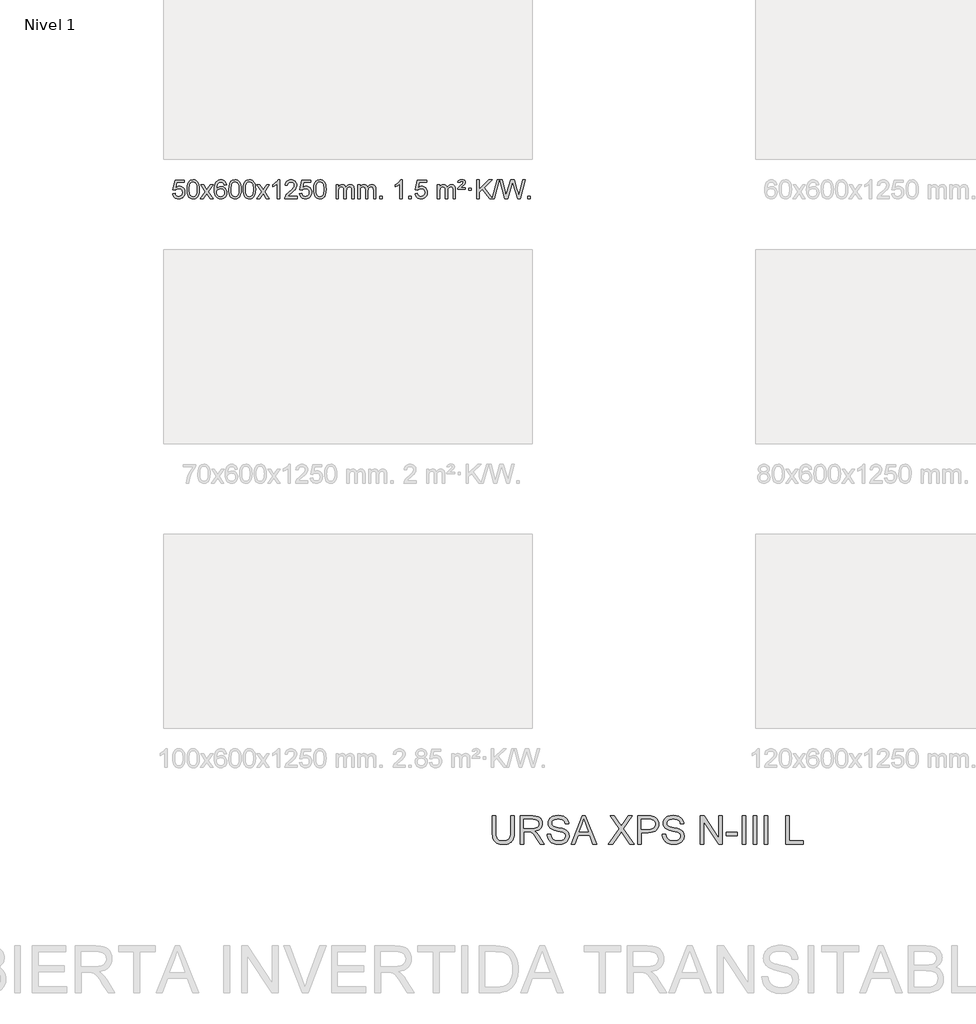
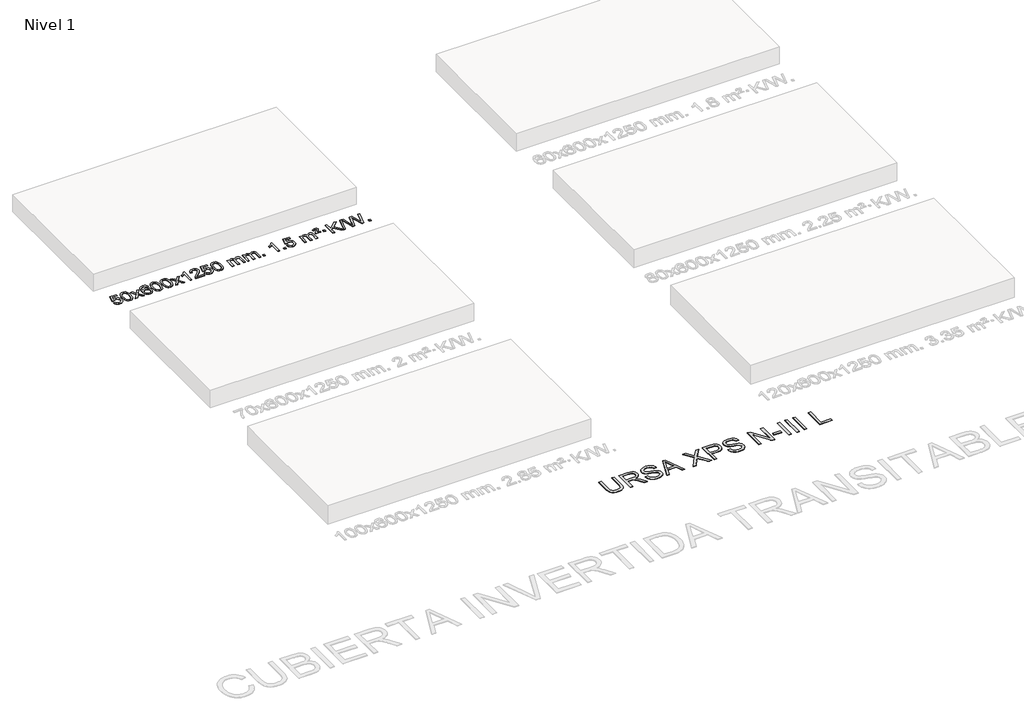
# One storey, part 4 of 7: 2 proxies.
"""IFC4 building model written with IfcOpenShell, lengths in millimetres."""

from ifc_helpers import new_model, si_unit, origin, origin_with_axes, place, context, project, spatial, polyline, outline, extrude, element, save

model = new_model("IFC4")

# Units and contexts
model_context = context("Model", 3, world=origin())
ifc_project = project(units=[si_unit("LENGTHUNIT", "METRE", prefix="MILLI")], contexts=[model_context])

# Site, building, storey
site = spatial("IfcSite", under=ifc_project)
building = spatial("IfcBuilding", under=site)
storey = spatial("IfcBuildingStorey", under=building, Name="Nivel 1", Elevation=0.0)

# Proxies
placement = place(None, origin())
element("IfcBuildingElementProxy", 1, Name="Texto de modelo 1", ObjectType="Texto de modelo 1", at=placement, inside=storey, context=model_context, shape_type="SweptSolid", body=[
    extrude(outline(polyline([(-25826.1503809, -477.8820273), (-25775.9222259, -471.603508), (-25766.7006505, -501.7575688), (-25750.6119446, -523.3522419), (-25727.7296845, -536.3384764), (-25698.1274466, -540.6672212), (-25678.9975829, -539.1619707), (-25662.124062, -534.6462192), (-25647.5068841, -527.1199667), (-25635.146049, -516.5832132), (-25625.3174684, -503.5571249), (-25618.2970537, -488.5628679), (-25612.6807219, -452.6698479), (-25617.9414344, -418.8737553), (-25624.5173251, -404.9555532), (-25633.723572, -393.0239138), (-25645.590832, -383.4528505), (-25660.149762, -376.6163768), (-25697.3426317, -371.1471978), (-25721.7086825, -373.3299643), (-25741.4394202, -379.8782638), (-25757.1970323, -389.9091796), (-25769.6437065, -402.5397947), (-25819.8718615, -396.2612753), (-25775.9222259, -189.0701357), (-25581.2881249, -189.0701357), (-25581.2881249, -239.2982907), (-25735.3080536, -239.2982907), (-25756.7923621, -349.9571949), (-25739.0665813, -337.2530033), (-25720.9116048, -328.1785808), (-25702.3274327, -322.7339272), (-25683.3140649, -320.9190427), (-25658.8529779, -323.1692543), (-25636.3845851, -329.9198889), (-25615.9088864, -341.1709466), (-25597.4258818, -356.9224273), (-25582.1250565, -376.2117066), (-25571.1958955, -398.0761598), (-25564.638399, -422.5157871), (-25562.4525668, -449.5305882), (-25564.4207355, -475.552108), (-25570.3252415, -499.7587433), (-25580.1660849, -522.1504941), (-25593.9432656, -542.7273604), (-25614.8144374, -563.8008673), (-25639.1682255, -578.8533723), (-25667.0046298, -587.8848753), (-25698.3236503, -590.8953763), (-25724.2440026, -588.9609301), (-25747.6566259, -583.1575916), (-25768.5615203, -573.4853608), (-25786.9586857, -559.9442377), (-25802.2656424, -543.2086726), (-25813.8999105, -523.9531159), (-25821.86149, -502.1775674), (-25826.1503809, -477.8820273)])), origin_with_axes(), (0.0, 0.0, 1.0), 10.0),
    extrude(outline(polyline([(-25518.5029311, -386.9415981), (-25514.8118484, -322.6235626), (-25503.7386004, -271.3285498), (-25485.3935515, -232.2717446), (-25473.5354886, -217.0383643), (-25459.8870665, -204.6683323), (-25444.4023002, -195.097269), (-25427.0352044, -188.2607953), (-25386.654024, -182.7916163), (-25355.7028855, -186.0289778), (-25327.9891085, -195.7410625), (-25304.8125428, -211.5477256), (-25287.4730381, -233.0688223), (-25274.3764391, -260.1204117), (-25263.9285904, -292.5185527), (-25257.0859853, -333.6600225), (-25254.805117, -386.9415981), (-25258.4594114, -450.8917516), (-25269.4222949, -502.0641372), (-25287.6569791, -541.1577305), (-25299.487451, -556.437096), (-25313.1266759, -568.8715075), (-25328.6298363, -578.5069501), (-25346.0521145, -585.3894091), (-25386.654024, -590.8953763), (-25414.3187501, -588.5041433), (-25438.8442164, -581.3304444), (-25460.2304231, -569.3742795), (-25478.47737, -552.6356488), (-25495.988553, -522.3773547), (-25508.4965408, -484.6755815), (-25516.0013335, -439.5303293), (-25518.5029311, -386.9415981)]), holes=[polyline([(-25468.274776, -386.8434963), (-25466.803248, -430.5080234), (-25462.3886641, -465.8522861), (-25455.0310242, -492.8762843), (-25444.7303283, -511.5800181), (-25432.2713914, -524.3056694), (-25418.4390284, -533.3954204), (-25403.2332393, -538.849271), (-25386.654024, -540.6672212), (-25370.0748088, -538.8431396), (-25354.8690196, -533.3708949), (-25341.0366566, -524.2504871), (-25328.5777197, -511.4819162), (-25318.2770239, -492.7475256), (-25310.919384, -465.7296588), (-25306.5048, -430.4283156), (-25305.033272, -386.8434963), (-25306.4557491, -344.3347317), (-25310.7231802, -309.6128027), (-25317.8355655, -282.6777093), (-25327.7929048, -263.5294515), (-25340.0433752, -250.1814664), (-25354.0351538, -240.6471914), (-25369.7682404, -234.9266264), (-25387.2426352, -233.0197713), (-25403.7360113, -234.6997658), (-25418.6842831, -239.7397491), (-25432.0874504, -248.1397213), (-25443.9455134, -259.8996825), (-25454.5895658, -280.7463289), (-25462.1924604, -308.8525133), (-25466.7541971, -344.2182358), (-25468.274776, -386.8434963)])]), origin_with_axes(), (0.0, 0.0, 1.0), 10.0),
    extrude(outline(polyline([(-25229.6910394, -584.6168569), (-25122.3675987, -436.2868364), (-25223.41252, -289.5264458), (-25162.981771, -289.5264458), (-25114.2251439, -360.1597889), (-25091.4655111, -393.5144231), (-25071.7470362, -366.2421045), (-25016.2213804, -289.5264458), (-24955.7906313, -289.5264458), (-25061.9368496, -436.2868364), (-24959.7147059, -584.6168569), (-25020.145455, -584.6168569), (-25081.6553246, -495.4422612), (-25092.9370391, -479.1573516), (-25169.2602903, -584.6168569), (-25229.6910394, -584.6168569)])), origin_with_axes(), (0.0, 0.0, 1.0), 10.0),
    extrude(outline(polyline([(-24670.9028142, -289.5264458), (-24721.1309693, -295.8049652), (-24729.2243732, -270.9116168), (-24740.1627312, -253.9154687), (-24762.9468894, -238.2436957), (-24790.4889881, -233.0197713), (-24813.8372321, -236.0609292), (-24835.8120499, -245.1844027), (-24854.6843963, -264.4001055), (-24870.0986519, -290.850821), (-24880.5097123, -328.2644199), (-24884.3724733, -380.3687731), (-24864.2248027, -356.8611137), (-24840.0794811, -340.2941611), (-24813.2854091, -330.4717119), (-24785.1914874, -327.1975621), (-24761.0584285, -329.4355109), (-24738.7893051, -336.1493573), (-24718.3841171, -347.3391013), (-24699.8428645, -363.004743), (-24684.4347403, -382.2143145), (-24673.4289372, -404.0358482), (-24666.8254554, -428.469344), (-24664.6242948, -455.514802), (-24668.7690986, -491.4813984), (-24681.2035101, -524.8237699), (-24700.8974596, -553.1016326), (-24726.8208775, -573.8747026), (-24757.7965415, -586.6402078), (-24792.6472291, -590.8953763), (-24822.5897579, -588.0749476), (-24849.6321502, -579.6136617), (-24873.7744061, -565.5115186), (-24895.0165257, -545.7685182), (-24912.3345706, -519.5507947), (-24924.7046027, -486.0244822), (-24932.1266219, -445.1895807), (-24934.6006284, -397.0460903), (-24931.8537761, -343.0716702), (-24923.6132194, -297.006713), (-24909.8789583, -258.8512188), (-24890.6509927, -228.6051874), (-24869.8104776, -208.56175), (-24845.6467619, -194.2450091), (-24818.1598455, -185.6549645), (-24787.3497284, -182.7916163), (-24764.2160823, -184.5635812), (-24743.2774654, -189.879476), (-24724.5338777, -198.7393008), (-24707.9853193, -211.1430554), (-24694.0793799, -226.6738069), (-24683.2636492, -244.9146225), (-24675.5381274, -265.8655021), (-24670.9028142, -289.5264458)]), holes=[polyline([(-24884.3724733, -454.7299871), (-24881.4662055, -476.9868478), (-24872.7474022, -498.2381644), (-24859.2093448, -516.5096368), (-24841.8453146, -529.8269651), (-24820.8883036, -537.9571571), (-24796.5713038, -540.6672212), (-24763.425136, -535.0508894), (-24749.5099995, -528.0304746), (-24737.366828, -518.201894), (-24727.5167876, -505.9636863), (-24720.4810444, -491.7143904), (-24714.8524499, -457.1825337), (-24720.407468, -424.036366), (-24727.3512407, -410.4155351), (-24737.0725224, -398.7628729), (-24749.2524821, -389.4278673), (-24763.5722888, -382.7600061), (-24798.6314429, -377.4257172), (-24831.7285598, -382.7600061), (-24859.4055485, -398.7628729), (-24870.3285781, -410.2622509), (-24878.1307421, -423.4232293), (-24882.8120405, -438.245808), (-24884.3724733, -454.7299871)])]), origin_with_axes(), (0.0, 0.0, 1.0), 10.0),
    extrude(outline(polyline([(-24620.6746591, -386.9415981), (-24616.9835765, -322.6235626), (-24605.9103284, -271.3285498), (-24587.5652796, -232.2717446), (-24575.7072166, -217.0383643), (-24562.0587946, -204.6683323), (-24546.5740283, -195.097269), (-24529.2069324, -188.2607953), (-24488.8257521, -182.7916163), (-24457.8746135, -186.0289778), (-24430.1608366, -195.7410625), (-24406.9842709, -211.5477256), (-24389.6447662, -233.0688223), (-24376.5481671, -260.1204117), (-24366.1003185, -292.5185527), (-24359.2577134, -333.6600225), (-24356.976845, -386.9415981), (-24360.6311395, -450.8917516), (-24371.5940229, -502.0641372), (-24389.8287072, -541.1577305), (-24401.659179, -556.437096), (-24415.298404, -568.8715075), (-24430.8015644, -578.5069501), (-24448.2238425, -585.3894091), (-24488.8257521, -590.8953763), (-24516.4904781, -588.5041433), (-24541.0159444, -581.3304444), (-24562.4021511, -569.3742795), (-24580.6490981, -552.6356488), (-24598.160281, -522.3773547), (-24610.6682689, -484.6755815), (-24618.1730616, -439.5303293), (-24620.6746591, -386.9415981)]), holes=[polyline([(-24570.4465041, -386.8434963), (-24568.9749761, -430.5080234), (-24564.5603921, -465.8522861), (-24557.2027522, -492.8762843), (-24546.9020564, -511.5800181), (-24534.4431195, -524.3056694), (-24520.6107564, -533.3954204), (-24505.4049673, -538.849271), (-24488.8257521, -540.6672212), (-24472.2465368, -538.8431396), (-24457.0407477, -533.3708949), (-24443.2083847, -524.2504871), (-24430.7494478, -511.4819162), (-24420.4487519, -492.7475256), (-24413.091112, -465.7296588), (-24408.676528, -430.4283156), (-24407.2050001, -386.8434963), (-24408.6274771, -344.3347317), (-24412.8949083, -309.6128027), (-24420.0072935, -282.6777093), (-24429.9646328, -263.5294515), (-24442.2151033, -250.1814664), (-24456.2068818, -240.6471914), (-24471.9399685, -234.9266264), (-24489.4143633, -233.0197713), (-24505.9077394, -234.6997658), (-24520.8560111, -239.7397491), (-24534.2591785, -248.1397213), (-24546.1172414, -259.8996825), (-24556.7612938, -280.7463289), (-24564.3641884, -308.8525133), (-24568.9259251, -344.2182358), (-24570.4465041, -386.8434963)])]), origin_with_axes(), (0.0, 0.0, 1.0), 10.0),
    extrude(outline(polyline([(-24313.0272093, -386.9415981), (-24309.3361266, -322.6235626), (-24298.2628786, -271.3285498), (-24279.9178297, -232.2717446), (-24268.0597668, -217.0383643), (-24254.4113447, -204.6683323), (-24238.9265784, -195.097269), (-24221.5594826, -188.2607953), (-24181.1783022, -182.7916163), (-24150.2271637, -186.0289778), (-24122.5133867, -195.7410625), (-24099.336821, -211.5477256), (-24081.9973163, -233.0688223), (-24068.9007173, -260.1204117), (-24058.4528686, -292.5185527), (-24051.6102635, -333.6600225), (-24049.3293952, -386.9415981), (-24052.9836896, -450.8917516), (-24063.9465731, -502.0641372), (-24082.1812573, -541.1577305), (-24094.0117292, -556.437096), (-24107.6509541, -568.8715075), (-24123.1541145, -578.5069501), (-24140.5763927, -585.3894091), (-24181.1783022, -590.8953763), (-24208.8430283, -588.5041433), (-24233.3684946, -581.3304444), (-24254.7547013, -569.3742795), (-24273.0016482, -552.6356488), (-24290.5128312, -522.3773547), (-24303.020819, -484.6755815), (-24310.5256117, -439.5303293), (-24313.0272093, -386.9415981)]), holes=[polyline([(-24262.7990542, -386.8434963), (-24261.3275262, -430.5080234), (-24256.9129423, -465.8522861), (-24249.5553024, -492.8762843), (-24239.2546065, -511.5800181), (-24226.7956696, -524.3056694), (-24212.9633066, -533.3954204), (-24197.7575175, -538.849271), (-24181.1783022, -540.6672212), (-24164.599087, -538.8431396), (-24149.3932978, -533.3708949), (-24135.5609348, -524.2504871), (-24123.1019979, -511.4819162), (-24112.8013021, -492.7475256), (-24105.4436622, -465.7296588), (-24101.0290782, -430.4283156), (-24099.5575502, -386.8434963), (-24100.9800273, -344.3347317), (-24105.2474584, -309.6128027), (-24112.3598437, -282.6777093), (-24122.317183, -263.5294515), (-24134.5676534, -250.1814664), (-24148.559432, -240.6471914), (-24164.2925187, -234.9266264), (-24181.7669134, -233.0197713), (-24198.2602895, -234.6997658), (-24213.2085613, -239.7397491), (-24226.6117286, -248.1397213), (-24238.4697916, -259.8996825), (-24249.113844, -280.7463289), (-24256.7167386, -308.8525133), (-24261.2784753, -344.2182358), (-24262.7990542, -386.8434963)])]), origin_with_axes(), (0.0, 0.0, 1.0), 10.0),
    extrude(outline(polyline([(-24024.2153176, -584.6168569), (-23916.8918769, -436.2868364), (-24017.9367982, -289.5264458), (-23957.5060492, -289.5264458), (-23908.7494221, -360.1597889), (-23885.9897893, -393.5144231), (-23866.2713144, -366.2421045), (-23810.7456586, -289.5264458), (-23750.3149095, -289.5264458), (-23856.4611278, -436.2868364), (-23754.2389841, -584.6168569), (-23814.6697332, -584.6168569), (-23876.1796028, -495.4422612), (-23887.4613173, -479.1573516), (-23963.7845685, -584.6168569), (-24024.2153176, -584.6168569)])), origin_with_axes(), (0.0, 0.0, 1.0), 10.0),
    extrude(outline(polyline([(-23534.4908056, -584.6168569), (-23584.7189607, -584.6168569), (-23584.7189607, -271.4757026), (-23605.6882344, -288.4350626), (-23632.2983654, -305.3698971), (-23685.1752709, -330.7292293), (-23685.1752709, -283.2479264), (-23645.7260583, -261.7881434), (-23611.5498209, -236.2571329), (-23584.6085961, -209.1074417), (-23566.8644212, -182.7916163), (-23534.4908056, -182.7916163), (-23534.4908056, -584.6168569)])), origin_with_axes(), (0.0, 0.0, 1.0), 10.0),
    extrude(outline(polyline([(-23157.7796426, -534.3887018), (-23157.7796426, -584.6168569), (-23421.4774567, -584.6168569), (-23420.3738107, -566.9339956), (-23416.0818541, -549.9868984), (-23403.6964936, -522.9230463), (-23385.572174, -496.6685346), (-23359.3544505, -469.1877495), (-23322.6888783, -438.4450775), (-23268.4875977, -390.301587), (-23235.9668293, -354.7641863), (-23219.7064451, -325.9222379), (-23214.286317, -297.8651044), (-23219.3998768, -272.7142386), (-23234.740556, -251.8062786), (-23258.3217919, -237.7163982), (-23288.1570217, -233.0197713), (-23319.4883049, -237.6060336), (-23343.8298303, -251.3648202), (-23359.5383915, -273.2170107), (-23364.9707823, -302.0834846), (-23415.1989373, -295.8049652), (-23410.8793896, -269.8754159), (-23403.0220433, -247.2200164), (-23391.6268985, -227.8387666), (-23376.6939552, -211.7316666), (-23358.5665699, -199.0703946), (-23337.5880991, -190.0266288), (-23313.7585429, -184.6003694), (-23287.0779012, -182.7916163), (-23260.1581362, -184.8027045), (-23236.1998212, -190.8359692), (-23215.2029563, -200.8914104), (-23197.1675415, -214.9690281), (-23182.682188, -232.02649), (-23172.3355069, -251.0214636), (-23166.1274982, -271.9539492), (-23164.058162, -294.8239465), (-23166.2899794, -318.8466408), (-23172.9854317, -342.4524022), (-23184.8680202, -366.4628337), (-23202.661246, -391.6995386), (-23231.0249478, -421.829074), (-23274.6189643, -460.5179972), (-23332.400963, -508.8331659), (-23355.0624939, -534.3887018), (-23157.7796426, -534.3887018)])), origin_with_axes(), (0.0, 0.0, 1.0), 10.0),
    extrude(outline(polyline([(-23107.5514875, -477.8820273), (-23057.3233324, -471.603508), (-23048.1017571, -501.7575688), (-23032.0130512, -523.3522419), (-23009.1307911, -536.3384764), (-22979.5285532, -540.6672212), (-22960.3986894, -539.1619707), (-22943.5251686, -534.6462192), (-22928.9079907, -527.1199667), (-22916.5471556, -516.5832132), (-22906.718575, -503.5571249), (-22899.6981602, -488.5628679), (-22894.0818284, -452.6698479), (-22899.342541, -418.8737553), (-22905.9184316, -404.9555532), (-22915.1246786, -393.0239138), (-22926.9919386, -383.4528505), (-22941.5508686, -376.6163768), (-22978.7437383, -371.1471978), (-23003.1097891, -373.3299643), (-23022.8405268, -379.8782638), (-23038.5981389, -389.9091796), (-23051.044813, -402.5397947), (-23101.2729681, -396.2612753), (-23057.3233324, -189.0701357), (-22862.6892315, -189.0701357), (-22862.6892315, -239.2982907), (-23016.7091602, -239.2982907), (-23038.1934687, -349.9571949), (-23020.4676879, -337.2530033), (-23002.3127114, -328.1785808), (-22983.7285393, -322.7339272), (-22964.7151715, -320.9190427), (-22940.2540845, -323.1692543), (-22917.7856917, -329.9198889), (-22897.3099929, -341.1709466), (-22878.8269884, -356.9224273), (-22863.5261631, -376.2117066), (-22852.5970021, -398.0761598), (-22846.0395056, -422.5157871), (-22843.8536734, -449.5305882), (-22845.821842, -475.552108), (-22851.7263481, -499.7587433), (-22861.5671914, -522.1504941), (-22875.3443722, -542.7273604), (-22896.215544, -563.8008673), (-22920.5693321, -578.8533723), (-22948.4057364, -587.8848753), (-22979.7247569, -590.8953763), (-23005.6451092, -588.9609301), (-23029.0577325, -583.1575916), (-23049.9626268, -573.4853608), (-23068.3597923, -559.9442377), (-23083.666749, -543.2086726), (-23095.3010171, -523.9531159), (-23103.2625966, -502.1775674), (-23107.5514875, -477.8820273)])), origin_with_axes(), (0.0, 0.0, 1.0), 10.0),
    extrude(outline(polyline([(-22799.9040377, -386.9415981), (-22796.212955, -322.6235626), (-22785.1397069, -271.3285498), (-22766.7946581, -232.2717446), (-22754.9365951, -217.0383643), (-22741.2881731, -204.6683323), (-22725.8034068, -195.097269), (-22708.4363109, -188.2607953), (-22668.0551306, -182.7916163), (-22637.1039921, -186.0289778), (-22609.3902151, -195.7410625), (-22586.2136494, -211.5477256), (-22568.8741447, -233.0688223), (-22555.7775457, -260.1204117), (-22545.329697, -292.5185527), (-22538.4870919, -333.6600225), (-22536.2062235, -386.9415981), (-22539.860518, -450.8917516), (-22550.8234015, -502.0641372), (-22569.0580857, -541.1577305), (-22580.8885575, -556.437096), (-22594.5277825, -568.8715075), (-22610.0309429, -578.5069501), (-22627.4532211, -585.3894091), (-22668.0551306, -590.8953763), (-22695.7198566, -588.5041433), (-22720.245323, -581.3304444), (-22741.6315296, -569.3742795), (-22759.8784766, -552.6356488), (-22777.3896596, -522.3773547), (-22789.8976474, -484.6755815), (-22797.4024401, -439.5303293), (-22799.9040377, -386.9415981)]), holes=[polyline([(-22749.6758826, -386.8434963), (-22748.2043546, -430.5080234), (-22743.7897707, -465.8522861), (-22736.4321308, -492.8762843), (-22726.1314349, -511.5800181), (-22713.672498, -524.3056694), (-22699.840135, -533.3954204), (-22684.6343459, -538.849271), (-22668.0551306, -540.6672212), (-22651.4759154, -538.8431396), (-22636.2701262, -533.3708949), (-22622.4377632, -524.2504871), (-22609.9788263, -511.4819162), (-22599.6781304, -492.7475256), (-22592.3204905, -465.7296588), (-22587.9059066, -430.4283156), (-22586.4343786, -386.8434963), (-22587.8568557, -344.3347317), (-22592.1242868, -309.6128027), (-22599.236672, -282.6777093), (-22609.1940114, -263.5294515), (-22621.4444818, -250.1814664), (-22635.4362604, -240.6471914), (-22651.169347, -234.9266264), (-22668.6437418, -233.0197713), (-22685.1371179, -234.6997658), (-22700.0853897, -239.7397491), (-22713.488557, -248.1397213), (-22725.34662, -259.8996825), (-22735.9906724, -280.7463289), (-22743.5935669, -308.8525133), (-22748.1553037, -344.2182358), (-22749.6758826, -386.8434963)])]), origin_with_axes(), (0.0, 0.0, 1.0), 10.0),
    extrude(outline(polyline([(-22322.7365645, -584.6168569), (-22322.7365645, -289.5264458), (-22272.5084094, -289.5264458), (-22272.5084094, -338.0868692), (-22257.4007221, -315.7809575), (-22237.9765528, -298.3065628), (-22214.8980889, -287.0125855), (-22188.8275182, -283.2479264), (-22160.8930121, -287.0861619), (-22138.5012613, -298.6008684), (-22121.7748932, -317.0317563), (-22110.8365352, -341.6185363), (-22092.5282746, -316.0813945), (-22071.64484, -297.8405789), (-22048.1862315, -286.8960895), (-22022.1524489, -283.2479264), (-22002.0446322, -284.7654397), (-21984.3954935, -289.3179793), (-21969.2050328, -296.9055455), (-21956.4732501, -307.5281381), (-21946.4086118, -321.3083845), (-21939.2195845, -338.368912), (-21934.9061681, -358.7097207), (-21933.4683626, -382.3308105), (-21933.4683626, -584.6168569), (-21983.6965177, -584.6168569), (-21983.6965177, -403.9132208), (-21984.8614774, -378.860457), (-21988.3563563, -361.9746734), (-21994.9046558, -350.410916), (-22005.2298772, -341.3242307), (-22018.5104172, -335.4381188), (-22033.9246728, -333.4760815), (-22061.1356777, -338.5038021), (-22083.318962, -353.5869639), (-22091.924335, -365.1568526), (-22098.07103, -379.7556365), (-22102.988386, -418.0398895), (-22102.988386, -584.6168569), (-22153.2165411, -584.6168569), (-22153.2165411, -398.3214145), (-22156.1228088, -369.9209245), (-22164.8416121, -349.6628893), (-22180.1822913, -337.5227834), (-22202.9541868, -333.4760815), (-22222.3047798, -336.1738828), (-22240.1347938, -344.2672867), (-22254.8500736, -357.5600894), (-22264.8564639, -375.8560873), (-22270.595423, -401.239945), (-22272.5084094, -435.7963271), (-22272.5084094, -584.6168569), (-22322.7365645, -584.6168569)])), origin_with_axes(), (0.0, 0.0, 1.0), 10.0),
    extrude(outline(polyline([(-21858.12613, -584.6168569), (-21858.12613, -289.5264458), (-21807.8979749, -289.5264458), (-21807.8979749, -338.0868692), (-21792.7902877, -315.7809575), (-21773.3661183, -298.3065628), (-21750.2876545, -287.0125855), (-21724.2170838, -283.2479264), (-21696.2825776, -287.0861619), (-21673.8908268, -298.6008684), (-21657.1644588, -317.0317563), (-21646.2261008, -341.6185363), (-21627.9178402, -316.0813945), (-21607.0344056, -297.8405789), (-21583.575797, -286.8960895), (-21557.5420145, -283.2479264), (-21537.4341978, -284.7654397), (-21519.7850591, -289.3179793), (-21504.5945983, -296.9055455), (-21491.8628156, -307.5281381), (-21481.7981774, -321.3083845), (-21474.6091501, -338.368912), (-21470.2957337, -358.7097207), (-21468.8579282, -382.3308105), (-21468.8579282, -584.6168569), (-21519.0860833, -584.6168569), (-21519.0860833, -403.9132208), (-21520.2510429, -378.860457), (-21523.7459219, -361.9746734), (-21530.2942214, -350.410916), (-21540.6194427, -341.3242307), (-21553.8999827, -335.4381188), (-21569.3142383, -333.4760815), (-21596.5252433, -338.5038021), (-21618.7085276, -353.5869639), (-21627.3139006, -365.1568526), (-21633.4605956, -379.7556365), (-21638.3779516, -418.0398895), (-21638.3779516, -584.6168569), (-21688.6061066, -584.6168569), (-21688.6061066, -398.3214145), (-21691.5123744, -369.9209245), (-21700.2311777, -349.6628893), (-21715.5718569, -337.5227834), (-21738.3437524, -333.4760815), (-21757.6943453, -336.1738828), (-21775.5243594, -344.2672867), (-21790.2396392, -357.5600894), (-21800.2460294, -375.8560873), (-21805.9849886, -401.239945), (-21807.8979749, -435.7963271), (-21807.8979749, -584.6168569), (-21858.12613, -584.6168569)])), origin_with_axes(), (0.0, 0.0, 1.0), 10.0),
    extrude(outline(polyline([(-21380.9586568, -584.6168569), (-21380.9586568, -534.3887018), (-21330.7305017, -534.3887018), (-21330.7305017, -584.6168569), (-21380.9586568, -584.6168569)])), origin_with_axes(), (0.0, 0.0, 1.0), 10.0),
    extrude(outline(polyline([(-20903.7911836, -584.6168569), (-20954.0193387, -584.6168569), (-20954.0193387, -271.4757026), (-20974.9886124, -288.4350626), (-21001.5987434, -305.3698971), (-21054.4756488, -330.7292293), (-21054.4756488, -283.2479264), (-21015.0264362, -261.7881434), (-20980.8501989, -236.2571329), (-20953.9089741, -209.1074417), (-20936.1647992, -182.7916163), (-20903.7911836, -182.7916163), (-20903.7911836, -584.6168569)])), origin_with_axes(), (0.0, 0.0, 1.0), 10.0),
    extrude(outline(polyline([(-20759.3852378, -584.6168569), (-20759.3852378, -534.3887018), (-20709.1570827, -534.3887018), (-20709.1570827, -584.6168569), (-20759.3852378, -584.6168569)])), origin_with_axes(), (0.0, 0.0, 1.0), 10.0),
    extrude(outline(polyline([(-20627.5363307, -477.8820273), (-20577.3081756, -471.603508), (-20568.0866003, -501.7575688), (-20551.9978943, -523.3522419), (-20529.1156342, -536.3384764), (-20499.5133964, -540.6672212), (-20480.3835326, -539.1619707), (-20463.5100118, -534.6462192), (-20448.8928338, -527.1199667), (-20436.5319988, -516.5832132), (-20426.7034182, -503.5571249), (-20419.6830034, -488.5628679), (-20414.0666716, -452.6698479), (-20419.3273842, -418.8737553), (-20425.9032748, -404.9555532), (-20435.1095217, -393.0239138), (-20446.9767818, -383.4528505), (-20461.5357117, -376.6163768), (-20498.7285814, -371.1471978), (-20523.0946323, -373.3299643), (-20542.8253699, -379.8782638), (-20558.5829821, -389.9091796), (-20571.0296562, -402.5397947), (-20621.2578113, -396.2612753), (-20577.3081756, -189.0701357), (-20382.6740747, -189.0701357), (-20382.6740747, -239.2982907), (-20536.6940033, -239.2982907), (-20558.1783119, -349.9571949), (-20540.4525311, -337.2530033), (-20522.2975546, -328.1785808), (-20503.7133825, -322.7339272), (-20484.7000147, -320.9190427), (-20460.2389277, -323.1692543), (-20437.7705348, -329.9198889), (-20417.2948361, -341.1709466), (-20398.8118316, -356.9224273), (-20383.5110062, -376.2117066), (-20372.5818453, -398.0761598), (-20366.0243487, -422.5157871), (-20363.8385165, -449.5305882), (-20365.8066852, -475.552108), (-20371.7111912, -499.7587433), (-20381.5520346, -522.1504941), (-20395.3292153, -542.7273604), (-20416.2003872, -563.8008673), (-20440.5541753, -578.8533723), (-20468.3905796, -587.8848753), (-20499.7096001, -590.8953763), (-20525.6299523, -588.9609301), (-20549.0425757, -583.1575916), (-20569.94747, -573.4853608), (-20588.3446355, -559.9442377), (-20603.6515922, -543.2086726), (-20615.2858603, -523.9531159), (-20623.2474398, -502.1775674), (-20627.5363307, -477.8820273)])), origin_with_axes(), (0.0, 0.0, 1.0), 10.0),
    extrude(outline(polyline([(-20150.3688575, -584.6168569), (-20150.3688575, -289.5264458), (-20100.1407024, -289.5264458), (-20100.1407024, -338.0868692), (-20085.0330151, -315.7809575), (-20065.6088458, -298.3065628), (-20042.530382, -287.0125855), (-20016.4598112, -283.2479264), (-19988.5253051, -287.0861619), (-19966.1335543, -298.6008684), (-19949.4071862, -317.0317563), (-19938.4688283, -341.6185363), (-19920.1605676, -316.0813945), (-19899.277133, -297.8405789), (-19875.8185245, -286.8960895), (-19849.784742, -283.2479264), (-19829.6769252, -284.7654397), (-19812.0277865, -289.3179793), (-19796.8373258, -296.9055455), (-19784.1055431, -307.5281381), (-19774.0409048, -321.3083845), (-19766.8518775, -338.368912), (-19762.5384611, -358.7097207), (-19761.1006556, -382.3308105), (-19761.1006556, -584.6168569), (-19811.3288107, -584.6168569), (-19811.3288107, -403.9132208), (-19812.4937704, -378.860457), (-19815.9886493, -361.9746734), (-19822.5369488, -350.410916), (-19832.8621702, -341.3242307), (-19846.1427102, -335.4381188), (-19861.5569658, -333.4760815), (-19888.7679707, -338.5038021), (-19910.951255, -353.5869639), (-19919.556628, -365.1568526), (-19925.703323, -379.7556365), (-19930.620679, -418.0398895), (-19930.620679, -584.6168569), (-19980.8488341, -584.6168569), (-19980.8488341, -398.3214145), (-19983.7551019, -369.9209245), (-19992.4739051, -349.6628893), (-20007.8145843, -337.5227834), (-20030.5864798, -333.4760815), (-20049.9370728, -336.1738828), (-20067.7670868, -344.2672867), (-20082.4823666, -357.5600894), (-20092.4887569, -375.8560873), (-20098.227716, -401.239945), (-20100.1407024, -435.7963271), (-20100.1407024, -584.6168569), (-20150.3688575, -584.6168569)])), origin_with_axes(), (0.0, 0.0, 1.0), 10.0),
    extrude(outline(polyline([(-19717.15102, -383.7042366), (-19713.3250472, -367.8853108), (-19704.9863887, -352.0173341), (-19683.4775547, -326.878731), (-19651.520872, -299.1404286), (-19607.3750326, -261.7636179), (-19600.2381219, -250.2366487), (-19597.8591517, -238.4153739), (-19599.7476126, -226.324319), (-19605.4129953, -216.538658), (-19614.7817234, -210.0639348), (-19627.7802206, -207.9056938), (-19640.214632, -209.5243746), (-19649.0683254, -214.3804169), (-19655.4939976, -223.8472469), (-19660.6443455, -239.2982907), (-19710.8725006, -233.0197713), (-19700.0322444, -207.8075919), (-19683.4039783, -190.247358), (-19659.6388014, -179.9466622), (-19627.3878131, -176.5130969), (-19591.6051577, -180.645638), (-19566.8589622, -193.0432612), (-19552.437988, -211.3760473), (-19547.6309966, -233.3140769), (-19551.7267495, -256.2208625), (-19564.0140081, -277.8523238), (-19584.5418234, -297.6689006), (-19621.0111919, -325.7260341), (-19646.6157788, -352.3116396), (-19547.6309966, -352.3116396), (-19547.6309966, -383.7042366), (-19717.15102, -383.7042366)])), origin_with_axes(), (0.0, 0.0, 1.0), 10.0),
    extrude(outline(polyline([(-19472.288764, -408.8183141), (-19472.288764, -358.590159), (-19422.0606089, -358.590159), (-19422.0606089, -408.8183141), (-19472.288764, -408.8183141)])), origin_with_axes(), (0.0, 0.0, 1.0), 10.0),
    extrude(outline(polyline([(-19031.4189809, -584.6168569), (-19184.8502984, -381.938403), (-19252.5405855, -446.4894304), (-19252.5405855, -584.6168569), (-19302.7687406, -584.6168569), (-19302.7687406, -182.7916163), (-19252.5405855, -182.7916163), (-19252.5405855, -379.4858564), (-19046.5266682, -182.7916163), (-18976.2857326, -182.7916163), (-19149.2393213, -347.9951576), (-18974.5857114, -578.5723371), (-18863.2723837, -182.7916163), (-18817.9493219, -182.7916163), (-18930.9626708, -584.6168569), (-18970.0072132, -584.6168569), (-18976.2857326, -584.6168569), (-19031.4189809, -584.6168569)])), origin_with_axes(), (0.0, 0.0, 1.0), 10.0),
    extrude(outline(polyline([(-18703.464445, -584.6168569), (-18813.0442286, -182.7916163), (-18761.2464437, -182.7916163), (-18697.6764349, -446.8818379), (-18678.0560618, -528.404488), (-18657.0622627, -456.299617), (-18577.403548, -182.7916163), (-18502.7480284, -182.7916163), (-18444.8679278, -381.0554862), (-18420.0726814, -454.6318852), (-18401.8012089, -528.404488), (-18382.7694471, -449.2362826), (-18318.6108271, -182.7916163), (-18266.8130422, -182.7916163), (-18376.4909277, -584.6168569), (-18430.152648, -584.6168569), (-18526.4886798, -274.6149623), (-18539.9286354, -231.3520396), (-18555.0363227, -283.4441302), (-18642.8374922, -584.6168569), (-18703.464445, -584.6168569)])), origin_with_axes(), (0.0, 0.0, 1.0), 10.0),
    extrude(outline(polyline([(-18210.3063677, -584.6168569), (-18210.3063677, -534.3887018), (-18160.0782126, -534.3887018), (-18160.0782126, -584.6168569), (-18210.3063677, -584.6168569)])), origin_with_axes(), (0.0, 0.0, 1.0), 10.0),
])
element("IfcBuildingElementProxy", 2, Name="Texto de modelo 3", ObjectType="Texto de modelo 3", at=placement, inside=storey, context=model_context, shape_type="SweptSolid", body=[
    extrude(outline(polyline([(-18576.063677, -13823.3522814), (-18500.7214443, -13823.3522814), (-18500.7214443, -14171.0743432), (-18505.8350041, -14252.5050228), (-18512.2269537, -14286.1984151), (-18521.1756833, -14315.2105089), (-18533.4537449, -14340.6403518), (-18549.8336907, -14363.5869913), (-18570.3155208, -14384.0504273), (-18594.8992351, -14402.0306598), (-18623.6124248, -14416.6769617), (-18656.4826811, -14427.1386059), (-18693.5100039, -14433.4155925), (-18734.6943933, -14435.5079213), (-18774.8625086, -14433.6869055), (-18811.1954542, -14428.2238578), (-18843.6932299, -14419.1187784), (-18872.3558359, -14406.3716673), (-18897.1878705, -14390.1710639), (-18918.1939325, -14370.7055079), (-18935.3740216, -14347.9749991), (-18948.7281381, -14321.9795376), (-18958.7391269, -14291.8270096), (-18965.8898331, -14256.6253012), (-18970.1802569, -14216.3744124), (-18971.6103982, -14171.0743432), (-18971.6103982, -13823.3522814), (-18896.2681656, -13823.3522814), (-18896.2681656, -14168.4255928), (-18892.5525574, -14236.134274), (-18881.405733, -14283.2783517), (-18872.6409444, -14300.6561775), (-18861.2090114, -14315.9278788), (-18847.109934, -14329.0934557), (-18830.343712, -14340.1529082), (-18790.0974218, -14355.1624936), (-18741.7577276, -14360.1656887), (-18700.2330474, -14357.6916823), (-18665.127908, -14350.269663), (-18636.4423094, -14337.899631), (-18614.1762517, -14320.581586), (-18597.5020002, -14296.227798), (-18585.5918206, -14262.7505364), (-18578.4457129, -14220.1498014), (-18576.063677, -14168.4255928), (-18576.063677, -13823.3522814)])), origin_with_axes(), (0.0, 0.0, 1.0), 10.0),
    extrude(outline(polyline([(-18368.8725373, -14426.0901423), (-18368.8725373, -13823.3522814), (-18109.1478487, -13823.3522814), (-18039.3422401, -13827.4173774), (-17988.5561307, -13839.6126655), (-17968.9572174, -13849.3063561), (-17951.4368373, -13862.1270436), (-17935.9949906, -13878.0747281), (-17922.6316771, -13897.1494096), (-17911.8481361, -13918.3256169), (-17904.1456069, -13940.5778791), (-17899.5240893, -13963.9061961), (-17897.9835834, -13988.310568), (-17900.5357648, -14019.2678379), (-17908.1923088, -14047.686722), (-17920.9532155, -14073.5672204), (-17938.8184849, -14096.909333), (-17962.0180432, -14116.9680988), (-17990.7818167, -14132.9985567), (-18025.1098054, -14145.0007068), (-18065.0020093, -14152.974549), (-18040.1699746, -14169.198145), (-18022.180545, -14185.2010118), (-17991.3152456, -14221.8052703), (-17961.1121338, -14262.7505364), (-17860.6067727, -14426.0901423), (-17948.1626876, -14426.0901423), (-18026.595129, -14301.1574167), (-18083.2489562, -14218.4575442), (-18104.3102004, -14194.3428794), (-18123.0537881, -14179.3884763), (-18158.8854944, -14165.0410785), (-18202.5898755, -14162.3923281), (-18293.5303047, -14162.3923281), (-18293.5303047, -14426.0901423), (-18368.8725373, -14426.0901423)]), holes=[polyline([(-18293.5303047, -14087.0500955), (-18124.8931981, -14087.0500955), (-18076.4615334, -14084.382951), (-18038.8823876, -14076.3815176), (-18010.5922622, -14062.5123664), (-17990.0276586, -14042.2420685), (-17977.5012767, -14017.7227335), (-17973.3258161, -13991.1064712), (-17975.3169774, -13971.8386517), (-17981.2904613, -13954.3550598), (-17991.2462677, -13938.6556957), (-18005.1843968, -13924.7405592), (-18023.4267453, -13913.3454144), (-18046.2952098, -13905.2060253), (-18073.7897904, -13900.3223918), (-18105.9104871, -13898.694514), (-18293.5303047, -13898.694514), (-18293.5303047, -14087.0500955)])]), origin_with_axes(), (0.0, 0.0, 1.0), 10.0),
    extrude(outline(polyline([(-17794.3880136, -14218.8990026), (-17719.045781, -14218.8990026), (-17710.4005541, -14260.7087913), (-17694.7655693, -14294.3148116), (-17670.374993, -14320.9862562), (-17635.4629917, -14341.9923182), (-17592.7886802, -14355.6223461), (-17545.1111737, -14360.1656887), (-17503.135838, -14356.7259921), (-17466.3844267, -14346.4069021), (-17436.6043792, -14330.0729415), (-17415.543135, -14308.588633), (-17403.016753, -14283.9221452), (-17398.8412924, -14258.0416469), (-17401.9682894, -14232.8233361), (-17411.3492802, -14211.0263279), (-17430.4055676, -14192.429893), (-17462.558454, -14176.8133023), (-17572.2608649, -14148.0449303), (-17644.2737655, -14129.007037), (-17690.3509854, -14110.8888488), (-17727.8565548, -14085.5417793), (-17754.4360289, -14054.8236327), (-17770.2733488, -14019.3965966), (-17775.5524555, -13979.9228585), (-17773.9199791, -13957.4866553), (-17769.02255, -13935.7954132), (-17760.8601683, -13914.8491321), (-17749.4328338, -13894.647812), (-17734.8693053, -13876.014589), (-17717.2983415, -13859.7725989), (-17696.7199424, -13845.9218418), (-17673.134108, -13834.4623176), (-17620.1223125, -13819.0664561), (-17561.4451343, -13813.9345023), (-17497.8751255, -13819.3055794), (-17442.2513678, -13835.4188108), (-17417.9159738, -13847.4209609), (-17396.560424, -13861.9431027), (-17378.1847184, -13878.9852361), (-17362.7888569, -13898.5473612), (-17350.4924012, -13920.0592608), (-17341.4149129, -13942.950718), (-17335.5563922, -13967.2217326), (-17332.9168389, -13992.8723047), (-17408.2590715, -13992.8723047), (-17413.2990548, -13968.8312163), (-17422.0914345, -13947.9171249), (-17434.6362105, -13930.1300305), (-17450.9333829, -13915.4699329), (-17471.2864543, -13904.0104088), (-17495.9989273, -13895.8250344), (-17525.070802, -13890.9138098), (-17558.5020783, -13889.2767349), (-17593.0002124, -13890.8954157), (-17622.4767573, -13895.751458), (-17646.9317129, -13903.8448619), (-17666.3650793, -13915.1756274), (-17681.1723296, -13928.7964582), (-17691.748937, -13943.7600584), (-17698.0949014, -13960.0664278), (-17700.2102228, -13977.7155665), (-17698.7111037, -13992.8998959), (-17694.2137463, -14006.6678796), (-17686.7181507, -14019.0195175), (-17676.2243168, -14029.9548098), (-17659.7064152, -14040.310688), (-17633.6971581, -14050.7769308), (-17553.2045776, -14072.0405101), (-17470.1368231, -14092.2372316), (-17419.8841425, -14109.8587792), (-17376.9339196, -14137.1924114), (-17360.328646, -14153.2596576), (-17346.9699311, -14170.9271904), (-17336.7014249, -14190.1030394), (-17329.3667776, -14210.6952341), (-17323.4990598, -14256.1286605), (-17325.1867184, -14279.6961008), (-17330.2496944, -14302.5737624), (-17338.6879877, -14324.7616452), (-17350.5015982, -14346.2597493), (-17365.4835925, -14366.2357416), (-17383.4270368, -14383.8572892), (-17404.3319312, -14399.124392), (-17428.1982756, -14412.03705), (-17454.3316928, -14422.3055562), (-17482.0378056, -14429.6402035), (-17542.1681177, -14435.5079213), (-17580.7083552, -14433.9260288), (-17615.98364, -14429.180351), (-17647.9939722, -14421.2708881), (-17676.7393515, -14410.1976401), (-17702.3945222, -14395.9422127), (-17725.134228, -14378.4862121), (-17744.958469, -14357.829638), (-17761.8672452, -14333.9724907), (-17775.4880761, -14307.6873221), (-17785.4484811, -14279.7466846), (-17791.7484603, -14250.1505781), (-17794.3880136, -14218.8990026)])), origin_with_axes(), (0.0, 0.0, 1.0), 10.0),
    extrude(outline(polyline([(-17280.6775955, -14426.0901423), (-17040.0827707, -13823.3522814), (-16975.9241507, -13823.3522814), (-16735.3293259, -14426.0901423), (-16814.9389896, -14426.0901423), (-16883.9536519, -14237.7345607), (-17132.2004223, -14237.7345607), (-17201.0679318, -14426.0901423), (-17280.6775955, -14426.0901423)]), holes=[polyline([(-17104.5356963, -14162.3923281), (-16911.4712252, -14162.3923281), (-16965.7706077, -14014.2094605), (-17008.0034607, -13898.694514), (-17045.5274242, -14001.2600142), (-17104.5356963, -14162.3923281)])]), origin_with_axes(), (0.0, 0.0, 1.0), 10.0),
    extrude(outline(polyline([(-16485.316722, -14426.0901423), (-16252.9624538, -14097.645097), (-16447.6456057, -13823.3522814), (-16357.2937876, -13823.3522814), (-16247.6649531, -13977.7155665), (-16221.5085432, -14016.8214226), (-16210.7296008, -14037.9010609), (-16167.4666781, -13976.6854969), (-16059.015066, -13823.3522814), (-15967.3388728, -13823.3522814), (-16162.0220246, -14098.5280137), (-15929.6677565, -14426.0901423), (-16020.0195745, -14426.0901423), (-16174.824318, -14207.7153899), (-16207.0507808, -14162.3923281), (-16242.5146052, -14212.1299739), (-16393.6405288, -14426.0901423), (-16485.316722, -14426.0901423)])), origin_with_axes(), (0.0, 0.0, 1.0), 10.0),
    extrude(outline(polyline([(-15854.3255238, -14426.0901423), (-15854.3255238, -13823.3522814), (-15630.9475764, -13823.3522814), (-15578.9290623, -13824.7870211), (-15540.890064, -13829.0912405), (-15500.7357442, -13839.8150006), (-15467.6815469, -13857.2710013), (-15441.0652846, -13882.2501888), (-15420.2247695, -13915.5435093), (-15406.7602885, -13954.8149123), (-15402.2721282, -13997.7283471), (-15405.3025561, -14034.7280787), (-15414.3938399, -14068.7663603), (-15429.5459796, -14099.8431919), (-15450.7589751, -14127.9585734), (-15479.8814336, -14151.2638978), (-15518.7619619, -14167.910558), (-15567.4005602, -14177.8985542), (-15625.7972284, -14181.2278863), (-15778.9832912, -14181.2278863), (-15778.9832912, -14426.0901423), (-15854.3255238, -14426.0901423)]), holes=[polyline([(-15778.9832912, -14105.8856537), (-15621.3826445, -14105.8856537), (-15585.146268, -14104.1566083), (-15554.5752742, -14098.9694721), (-15529.6696631, -14090.3242453), (-15510.4294348, -14078.2209276), (-15496.0728399, -14062.981416), (-15485.8181293, -14044.9276071), (-15479.6653029, -14024.0595009), (-15477.6143608, -14000.3770974), (-15482.452009, -13966.5319539), (-15496.9649537, -13937.9843111), (-15519.3505731, -13916.5000025), (-15547.8062455, -13903.8448619), (-15576.8689231, -13899.982101), (-15623.1484781, -13898.694514), (-15778.9832912, -13898.694514), (-15778.9832912, -14105.8856537)])]), origin_with_axes(), (0.0, 0.0, 1.0), 10.0),
    extrude(outline(polyline([(-15326.9298956, -14218.8990026), (-15251.5876629, -14218.8990026), (-15242.9424361, -14260.7087913), (-15227.3074513, -14294.3148116), (-15202.916875, -14320.9862562), (-15168.0048736, -14341.9923182), (-15125.3305622, -14355.6223461), (-15077.6530556, -14360.1656887), (-15035.67772, -14356.7259921), (-14998.9263087, -14346.4069021), (-14969.1462611, -14330.0729415), (-14948.0850169, -14308.588633), (-14935.558635, -14283.9221452), (-14931.3831743, -14258.0416469), (-14934.5101713, -14232.8233361), (-14943.8911622, -14211.0263279), (-14962.9474495, -14192.429893), (-14995.1003359, -14176.8133023), (-15104.8027469, -14148.0449303), (-15176.8156474, -14129.007037), (-15222.8928673, -14110.8888488), (-15260.3984367, -14085.5417793), (-15286.9779109, -14054.8236327), (-15302.8152308, -14019.3965966), (-15308.0943374, -13979.9228585), (-15306.461861, -13957.4866553), (-15301.564432, -13935.7954132), (-15293.4020502, -13914.8491321), (-15281.9747157, -13894.647812), (-15267.4111873, -13876.014589), (-15249.8402235, -13859.7725989), (-15229.2618244, -13845.9218418), (-15205.6759899, -13834.4623176), (-15152.6641944, -13819.0664561), (-15093.9870162, -13813.9345023), (-15030.4170074, -13819.3055794), (-14974.7932498, -13835.4188108), (-14950.4578558, -13847.4209609), (-14929.102306, -13861.9431027), (-14910.7266003, -13878.9852361), (-14895.3307388, -13898.5473612), (-14883.0342831, -13920.0592608), (-14873.9567949, -13942.950718), (-14868.0982741, -13967.2217326), (-14865.4587208, -13992.8723047), (-14940.8009534, -13992.8723047), (-14945.8409368, -13968.8312163), (-14954.6333164, -13947.9171249), (-14967.1780925, -13930.1300305), (-14983.4752649, -13915.4699329), (-15003.8283362, -13904.0104088), (-15028.5408093, -13895.8250344), (-15057.6126839, -13890.9138098), (-15091.0439602, -13889.2767349), (-15125.5420943, -13890.8954157), (-15155.0186392, -13895.751458), (-15179.4735948, -13903.8448619), (-15198.9069612, -13915.1756274), (-15213.7142115, -13928.7964582), (-15224.2908189, -13943.7600584), (-15230.6367833, -13960.0664278), (-15232.7521048, -13977.7155665), (-15231.2529857, -13992.8998959), (-15226.7556283, -14006.6678796), (-15219.2600326, -14019.0195175), (-15208.7661987, -14029.9548098), (-15192.2482971, -14040.310688), (-15166.2390401, -14050.7769308), (-15085.7464595, -14072.0405101), (-15002.678705, -14092.2372316), (-14952.4260245, -14109.8587792), (-14909.4758015, -14137.1924114), (-14892.870528, -14153.2596576), (-14879.511813, -14170.9271904), (-14869.2433068, -14190.1030394), (-14861.9086596, -14210.6952341), (-14856.0409417, -14256.1286605), (-14857.7286004, -14279.6961008), (-14862.7915763, -14302.5737624), (-14871.2298696, -14324.7616452), (-14883.0434802, -14346.2597493), (-14898.0254744, -14366.2357416), (-14915.9689187, -14383.8572892), (-14936.8738131, -14399.124392), (-14960.7401576, -14412.03705), (-14986.8735748, -14422.3055562), (-15014.5796876, -14429.6402035), (-15074.7099997, -14435.5079213), (-15113.2502372, -14433.9260288), (-15148.525522, -14429.180351), (-15180.5358541, -14421.2708881), (-15209.2812335, -14410.1976401), (-15234.9364041, -14395.9422127), (-15257.67611, -14378.4862121), (-15277.500351, -14357.829638), (-15294.4091272, -14333.9724907), (-15308.0299581, -14307.6873221), (-15317.9903631, -14279.7466846), (-15324.2903422, -14250.1505781), (-15326.9298956, -14218.8990026)])), origin_with_axes(), (0.0, 0.0, 1.0), 10.0),
    extrude(outline(polyline([(-14507.5831159, -14426.0901423), (-14507.5831159, -13823.3522814), (-14426.9433826, -13823.3522814), (-14112.0363947, -14300.8631111), (-14112.0363947, -13823.3522814), (-14036.6941621, -13823.3522814), (-14036.6941621, -14426.0901423), (-14117.3338954, -14426.0901423), (-14432.2408833, -13948.4321597), (-14432.2408833, -14426.0901423), (-14507.5831159, -14426.0901423)])), origin_with_axes(), (0.0, 0.0, 1.0), 10.0),
    extrude(outline(polyline([(-13951.9341504, -14247.1523398), (-13951.9341504, -14171.8101072), (-13716.4896735, -14171.8101072), (-13716.4896735, -14247.1523398), (-13951.9341504, -14247.1523398)])), origin_with_axes(), (0.0, 0.0, 1.0), 10.0),
    extrude(outline(polyline([(-13612.8941036, -14426.0901423), (-13612.8941036, -13823.3522814), (-13537.551871, -13823.3522814), (-13537.551871, -14426.0901423), (-13612.8941036, -14426.0901423)])), origin_with_axes(), (0.0, 0.0, 1.0), 10.0),
    extrude(outline(polyline([(-13377.4496267, -14426.0901423), (-13377.4496267, -13823.3522814), (-13302.1073941, -13823.3522814), (-13302.1073941, -14426.0901423), (-13377.4496267, -14426.0901423)])), origin_with_axes(), (0.0, 0.0, 1.0), 10.0),
    extrude(outline(polyline([(-13142.0051498, -14426.0901423), (-13142.0051498, -13823.3522814), (-13066.6629172, -13823.3522814), (-13066.6629172, -14426.0901423), (-13142.0051498, -14426.0901423)])), origin_with_axes(), (0.0, 0.0, 1.0), 10.0),
    extrude(outline(polyline([(-12680.5339751, -14426.0901423), (-12680.5339751, -13823.3522814), (-12605.1917424, -13823.3522814), (-12605.1917424, -14350.7479096), (-12303.822812, -14350.7479096), (-12303.822812, -14426.0901423), (-12680.5339751, -14426.0901423)])), origin_with_axes(), (0.0, 0.0, 1.0), 10.0),
])

save(model, "model.ifc")
